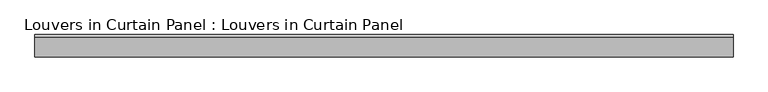
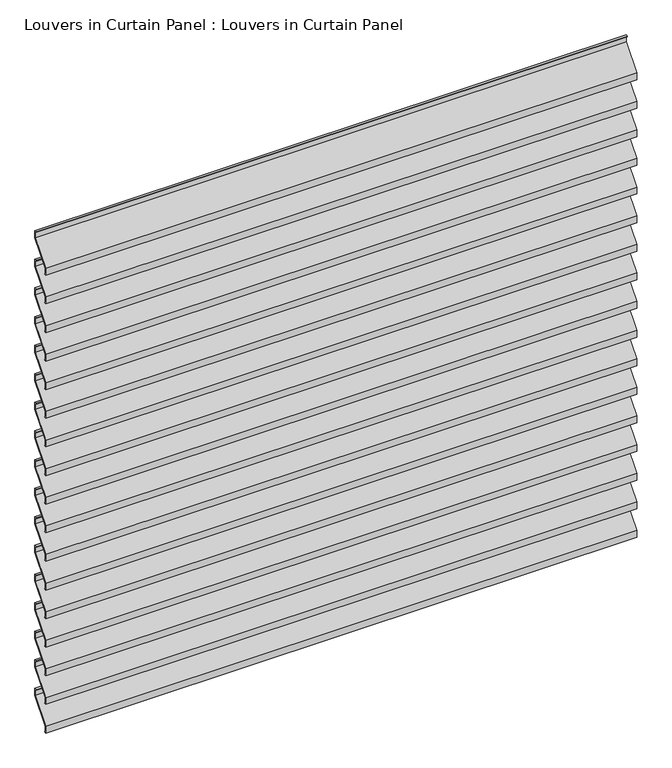
"""IFC4 building model written with IfcOpenShell, lengths in millimetres: plate geometry, Louvers in Curtain Panel : Louvers in Curtain Panel."""

from ifc_helpers import new_model, si_unit, frame, origin, place, context, project, spatial, polyline, outline, extrude, source, transform, mapped, element, save


def louvers_in_curtain_panel_louvers_in_curtain_panel_462828a1(model_context):
    return source(origin(), model_context, "Body", "SweptSolid", [
        extrude(outline(polyline([(22.621875, 1579.4294063), (22.621875, 1561.1731563), (-22.621875, 1507.9919063), (-22.621875, 1492.1169063), (-19.446875, 1492.1169063), (-19.446875, 1490.5294063), (-24.209375, 1490.5294063), (-24.209375, 1508.7856563), (21.034375, 1561.9669063), (21.034375, 1577.8419063), (17.859375, 1577.8419063), (17.859375, 1579.4294063), (22.621875, 1579.4294063)])), frame((-735.0124999, 0.0, 0.0), z_axis=(1.0, 0.0, 0.0), x_axis=(0.0, 1.0, 0.0)), (0.0, 0.0, 1.0), 1470.0249998),
        extrude(outline(polyline([(22.621875, 1504.2172376), (22.621875, 1485.9609876), (-22.621875, 1432.7797376), (-22.621875, 1416.9047376), (-19.446875, 1416.9047376), (-19.446875, 1415.3172376), (-24.209375, 1415.3172376), (-24.209375, 1433.5734876), (21.034375, 1486.7547376), (21.034375, 1502.6297376), (17.859375, 1502.6297376), (17.859375, 1504.2172376), (22.621875, 1504.2172376)])), frame((-735.0124999, 0.0, 0.0), z_axis=(1.0, 0.0, 0.0), x_axis=(0.0, 1.0, 0.0)), (0.0, 0.0, 1.0), 1470.0249998),
        extrude(outline(polyline([(22.621875, 1429.0050688), (22.621875, 1410.7488188), (-22.621875, 1357.5675688), (-22.621875, 1341.6925688), (-19.446875, 1341.6925688), (-19.446875, 1340.1050688), (-24.209375, 1340.1050688), (-24.209375, 1358.3613188), (21.034375, 1411.5425688), (21.034375, 1427.4175688), (17.859375, 1427.4175688), (17.859375, 1429.0050688), (22.621875, 1429.0050688)])), frame((-735.0124999, 0.0, 0.0), z_axis=(1.0, 0.0, 0.0), x_axis=(0.0, 1.0, 0.0)), (0.0, 0.0, 1.0), 1470.0249998),
        extrude(outline(polyline([(22.621875, 1353.7929001), (22.621875, 1335.5366501), (-22.621875, 1282.3554001), (-22.621875, 1266.4804001), (-19.446875, 1266.4804001), (-19.446875, 1264.8929001), (-24.209375, 1264.8929001), (-24.209375, 1283.1491501), (21.034375, 1336.3304001), (21.034375, 1352.2054001), (17.859375, 1352.2054001), (17.859375, 1353.7929001), (22.621875, 1353.7929001)])), frame((-735.0124999, 0.0, 0.0), z_axis=(1.0, 0.0, 0.0), x_axis=(0.0, 1.0, 0.0)), (0.0, 0.0, 1.0), 1470.0249998),
        extrude(outline(polyline([(22.621875, 1278.5807313), (22.621875, 1260.3244813), (-22.621875, 1207.1432313), (-22.621875, 1191.2682313), (-19.446875, 1191.2682313), (-19.446875, 1189.6807313), (-24.209375, 1189.6807313), (-24.209375, 1207.9369813), (21.034375, 1261.1182313), (21.034375, 1276.9932313), (17.859375, 1276.9932313), (17.859375, 1278.5807313), (22.621875, 1278.5807313)])), frame((-735.0124999, 0.0, 0.0), z_axis=(1.0, 0.0, 0.0), x_axis=(0.0, 1.0, 0.0)), (0.0, 0.0, 1.0), 1470.0249998),
        extrude(outline(polyline([(22.621875, 1203.3685626), (22.621875, 1185.1123126), (-22.621875, 1131.9310626), (-22.621875, 1116.0560626), (-19.446875, 1116.0560626), (-19.446875, 1114.4685626), (-24.209375, 1114.4685626), (-24.209375, 1132.7248126), (21.034375, 1185.9060626), (21.034375, 1201.7810626), (17.859375, 1201.7810626), (17.859375, 1203.3685626), (22.621875, 1203.3685626)])), frame((-735.0124999, 0.0, 0.0), z_axis=(1.0, 0.0, 0.0), x_axis=(0.0, 1.0, 0.0)), (0.0, 0.0, 1.0), 1470.0249998),
        extrude(outline(polyline([(22.621875, 1128.1563938), (22.621875, 1109.9001438), (-22.621875, 1056.7188938), (-22.621875, 1040.8438938), (-19.446875, 1040.8438938), (-19.446875, 1039.2563938), (-24.209375, 1039.2563938), (-24.209375, 1057.5126438), (21.034375, 1110.6938938), (21.034375, 1126.5688938), (17.859375, 1126.5688938), (17.859375, 1128.1563938), (22.621875, 1128.1563938)])), frame((-735.0124999, 0.0, 0.0), z_axis=(1.0, 0.0, 0.0), x_axis=(0.0, 1.0, 0.0)), (0.0, 0.0, 1.0), 1470.0249998),
        extrude(outline(polyline([(22.621875, 1052.944225), (22.621875, 1034.687975), (-22.621875, 981.506725), (-22.621875, 965.631725), (-19.446875, 965.631725), (-19.446875, 964.044225), (-24.209375, 964.044225), (-24.209375, 982.300475), (21.034375, 1035.481725), (21.034375, 1051.356725), (17.859375, 1051.356725), (17.859375, 1052.944225), (22.621875, 1052.944225)])), frame((-735.0124999, 0.0, 0.0), z_axis=(1.0, 0.0, 0.0), x_axis=(0.0, 1.0, 0.0)), (0.0, 0.0, 1.0), 1470.0249998),
        extrude(outline(polyline([(22.621875, 977.7320563), (22.621875, 959.4758063), (-22.621875, 906.2945563), (-22.621875, 890.4195563), (-19.446875, 890.4195563), (-19.446875, 888.8320563), (-24.209375, 888.8320563), (-24.209375, 907.0883063), (21.034375, 960.2695563), (21.034375, 976.1445563), (17.859375, 976.1445563), (17.859375, 977.7320563), (22.621875, 977.7320563)])), frame((-735.0124999, 0.0, 0.0), z_axis=(1.0, 0.0, 0.0), x_axis=(0.0, 1.0, 0.0)), (0.0, 0.0, 1.0), 1470.0249998),
        extrude(outline(polyline([(22.621875, 902.5198875), (22.621875, 884.2636375), (-22.621875, 831.0823875), (-22.621875, 815.2073875), (-19.446875, 815.2073875), (-19.446875, 813.6198875), (-24.209375, 813.6198875), (-24.209375, 831.8761375), (21.034375, 885.0573875), (21.034375, 900.9323875), (17.859375, 900.9323875), (17.859375, 902.5198875), (22.621875, 902.5198875)])), frame((-735.0124999, 0.0, 0.0), z_axis=(1.0, 0.0, 0.0), x_axis=(0.0, 1.0, 0.0)), (0.0, 0.0, 1.0), 1470.0249998),
        extrude(outline(polyline([(22.621875, 827.3077188), (22.621875, 809.0514688), (-22.621875, 755.8702188), (-22.621875, 739.9952188), (-19.446875, 739.9952188), (-19.446875, 738.4077188), (-24.209375, 738.4077188), (-24.209375, 756.6639688), (21.034375, 809.8452188), (21.034375, 825.7202188), (17.859375, 825.7202188), (17.859375, 827.3077188), (22.621875, 827.3077188)])), frame((-735.0124999, 0.0, 0.0), z_axis=(1.0, 0.0, 0.0), x_axis=(0.0, 1.0, 0.0)), (0.0, 0.0, 1.0), 1470.0249998),
        extrude(outline(polyline([(22.621875, 752.09555), (22.621875, 733.8393), (-22.621875, 680.65805), (-22.621875, 664.78305), (-19.446875, 664.78305), (-19.446875, 663.19555), (-24.209375, 663.19555), (-24.209375, 681.4518), (21.034375, 734.63305), (21.034375, 750.50805), (17.859375, 750.50805), (17.859375, 752.09555), (22.621875, 752.09555)])), frame((-735.0124999, 0.0, 0.0), z_axis=(1.0, 0.0, 0.0), x_axis=(0.0, 1.0, 0.0)), (0.0, 0.0, 1.0), 1470.0249998),
        extrude(outline(polyline([(22.621875, 676.8833813), (22.621875, 658.6271313), (-22.621875, 605.4458813), (-22.621875, 589.5708813), (-19.446875, 589.5708813), (-19.446875, 587.9833813), (-24.209375, 587.9833813), (-24.209375, 606.2396313), (21.034375, 659.4208813), (21.034375, 675.2958813), (17.859375, 675.2958813), (17.859375, 676.8833813), (22.621875, 676.8833813)])), frame((-735.0124999, 0.0, 0.0), z_axis=(1.0, 0.0, 0.0), x_axis=(0.0, 1.0, 0.0)), (0.0, 0.0, 1.0), 1470.0249998),
        extrude(outline(polyline([(22.621875, 601.6712125), (22.621875, 583.4149625), (-22.621875, 530.2337125), (-22.621875, 514.3587125), (-19.446875, 514.3587125), (-19.446875, 512.7712125), (-24.209375, 512.7712125), (-24.209375, 531.0274625), (21.034375, 584.2087125), (21.034375, 600.0837125), (17.859375, 600.0837125), (17.859375, 601.6712125), (22.621875, 601.6712125)])), frame((-735.0124999, 0.0, 0.0), z_axis=(1.0, 0.0, 0.0), x_axis=(0.0, 1.0, 0.0)), (0.0, 0.0, 1.0), 1470.0249998),
        extrude(outline(polyline([(22.621875, 526.4590438), (22.621875, 508.2027938), (-22.621875, 455.0215438), (-22.621875, 439.1465438), (-19.446875, 439.1465438), (-19.446875, 437.5590438), (-24.209375, 437.5590438), (-24.209375, 455.8152938), (21.034375, 508.9965438), (21.034375, 524.8715438), (17.859375, 524.8715438), (17.859375, 526.4590438), (22.621875, 526.4590438)])), frame((-735.0124999, 0.0, 0.0), z_axis=(1.0, 0.0, 0.0), x_axis=(0.0, 1.0, 0.0)), (0.0, 0.0, 1.0), 1470.0249998),
        extrude(outline(polyline([(22.621875, 1654.6415751), (22.621875, 1636.3853251), (-22.621875, 1583.2040751), (-22.621875, 1567.3290751), (-19.446875, 1567.3290751), (-19.446875, 1565.7415751), (-24.209375, 1565.7415751), (-24.209375, 1583.9978251), (21.034375, 1637.1790751), (21.034375, 1653.0540751), (17.859375, 1653.0540751), (17.859375, 1654.6415751), (22.621875, 1654.6415751)])), frame((-735.0124999, 0.0, 0.0), z_axis=(1.0, 0.0, 0.0), x_axis=(0.0, 1.0, 0.0)), (0.0, 0.0, 1.0), 1470.0249998),
        extrude(outline(polyline([(22.621875, 451.246875), (22.621875, 432.990625), (-22.621875, 379.809375), (-22.621875, 363.934375), (-19.446875, 363.934375), (-19.446875, 362.346875), (-24.209375, 362.346875), (-24.209375, 380.603125), (21.034375, 433.784375), (21.034375, 449.659375), (17.859375, 449.659375), (17.859375, 451.246875), (22.621875, 451.246875)])), frame((-735.0124999, 0.0, 0.0), z_axis=(1.0, 0.0, 0.0), x_axis=(0.0, 1.0, 0.0)), (0.0, 0.0, 1.0), 1470.0249998),
    ])


if __name__ == "__main__":
    model = new_model("IFC4")
    model_context = context("Model", 3, world=origin())
    ifc_project = project(units=[si_unit("LENGTHUNIT", "METRE", prefix="MILLI")], contexts=[model_context])
    site = spatial("IfcSite", under=ifc_project)
    building = spatial("IfcBuilding", under=site)
    placement = place(None, origin())
    louvers_in_curtain_panel_louvers_in_curtain_panel_shape = louvers_in_curtain_panel_louvers_in_curtain_panel_462828a1(model_context)
    element("IfcPlate", 1, ObjectType="Louvers in Curtain Panel : Louvers in Curtain Panel", at=placement, inside=building, context=model_context, shape_type="MappedRepresentation", body=[
        mapped(louvers_in_curtain_panel_louvers_in_curtain_panel_shape, transform((0.0, 0.0, 0.0), x_axis=(1.0, 0.0, 0.0), y_axis=(0.0, 1.0, 0.0), z_axis=(0.0, 0.0, 1.0))),
    ])
    save(model, "model.ifc")
